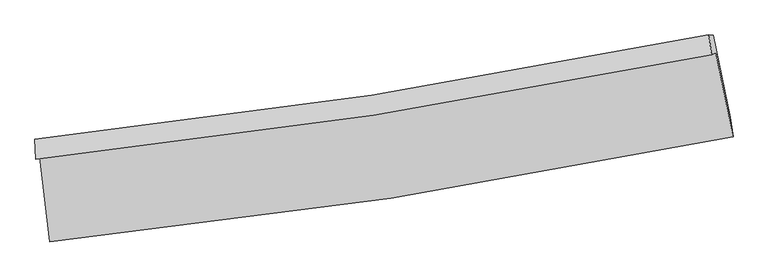
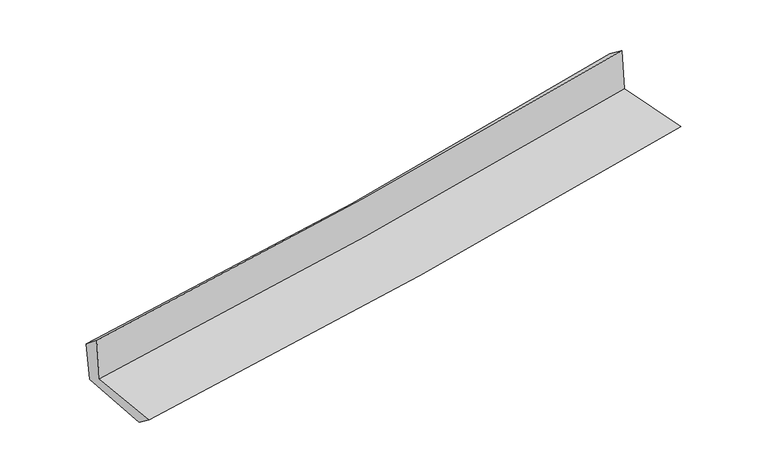
"""IFC4 building model written with IfcOpenShell, lengths in millimetres: proxy geometry."""

from ifc_helpers import new_model, si_unit, frame, origin, place, context, project, spatial, source, transform, mapped, element, save
from ifc_brep_helpers import plane_surface, spline_curve, spline_surface, advanced_brep


def generic_models_e0825369(model_context):
    return source(origin(), model_context, "Body", "AdvancedBrep", [
        advanced_brep(
        [(-2657.041005, -1886.3737152, 1660.9860748), (-2581.7802667, -2546.7547596, 1639.3557614), (2745.2784815, -1727.0272954, 2108.6712), (2610.297544, -1070.7236891, 2125.1125089), (-2690.0282355, -1902.9961061, 2053.6973753), (2577.5873361, -1087.2064872, 2514.5258703), (-2696.1434601, -1745.3090842, 1925.2012595), (2557.0616484, -933.1982642, 2397.9926604), (-2664.7081978, -1748.297026, 1574.5408821), (2591.0204027, -936.0162065, 2037.4784502), (-2588.2991489, -2395.3875666, 1523.323517), (2724.8819033, -1573.3778715, 1991.5316761)],
        [
            (0, 1),
            (1, 2, spline_curve(3, [(-2581.7802667, -2546.7547596, 1639.3557614), (-1693.213732136, -2454.349504424, 1728.578552724), (-807.217212845, -2340.286968962, 1812.132385009), (968.520992889, -2067.482314701, 1968.685471095), (1858.210723187, -1908.302361835, 2041.570118037), (2745.2784815, -1727.0272954, 2108.6712)], [4, 2, 4], [0.0, 8.784859594244185, 17.65807426606881])),
            (2, 3),
            (3, 0, spline_curve(3, [(2610.297544, -1070.7236891, 2125.1125089), (1733.595826742, -1249.153759785, 2059.002581579), (854.089794287, -1406.575136882, 1987.047787326), (-901.745291973, -1678.04217377, 1832.223154776), (-1778.018775871, -1792.504138719, 1749.4691379), (-2657.041005, -1886.3737152, 1660.9860748)], [4, 2, 4], [0.0, 8.873214671824623, 17.65807426606881])),
            (4, 0),
            (3, 5),
            (5, 4, spline_curve(3, [(2577.5873361, -1087.2064872, 2514.5258703), (1701.027043663, -1265.565293603, 2446.732288806), (821.568052833, -1422.962966256, 2374.217465163), (-934.361244718, -1694.477476257, 2220.514411336), (-1810.774111061, -1809.009676584, 2139.419736681), (-2690.0282355, -1902.9961061, 2053.6973753)], [4, 2, 4], [0.0, 8.823702253613817, 17.5595424497886])),
            (6, 4),
            (5, 7),
            (7, 6, spline_curve(3, [(2557.0616484, -933.1982642, 2397.9926604), (1684.08543598, -1110.696616419, 2316.271604397), (807.622437773, -1267.356572278, 2235.820977202), (-943.515025189, -1537.647248488, 2078.2490182), (-1818.120396778, -1651.690898995, 2001.102511709), (-2696.1434601, -1745.3090842, 1925.2012595)], [4, 2, 4], [0.0, 8.812242270868921, 17.536736597131863])),
            (8, 6),
            (7, 9),
            (9, 8, spline_curve(3, [(2591.0204027, -936.0162065, 2037.4784502), (1717.302734516, -1113.532326639, 1960.633695446), (840.258462793, -1270.215431277, 1883.438409876), (-911.71698999, -1540.562880217, 1729.118941355), (-1786.582252087, -1654.640048921, 1652.001703761), (-2664.7081978, -1748.297026, 1574.5408821)], [4, 2, 4], [0.0, 8.802284980334694, 17.51692116583158])),
            (10, 8),
            (9, 11),
            (11, 10, spline_curve(3, [(2724.8819033, -1573.3778715, 1991.5316761), (1841.543170078, -1756.253432994, 1913.49575818), (954.876699959, -1916.421722611, 1835.264249006), (-816.24959278, -2189.974990441, 1679.190987018), (-1700.643473267, -2303.809932285, 1601.353109727), (-2588.2991489, -2395.3875666, 1523.323517)], [4, 2, 4], [0.0, 8.852104877833877, 17.616064878962057])),
            (1, 10),
            (11, 2),
        ],
        [
            spline_surface(3, 3, [[(-2657.041005, -1886.3737152, 1660.9860748), (-1778.018775736, -1792.504138663, 1749.469137814), (-901.745291982, -1678.042173709, 1832.223154849), (854.089794296, -1406.575136943, 1987.047787252), (1733.595826814, -1249.153759898, 2059.00258162), (2610.297544, -1070.7236891, 2125.1125089)], [(-2631.95409222, -2106.500729971, 1653.775970332), (-1749.750427888, -2013.119260572, 1742.505609455), (-870.235932334, -1898.790438799, 1825.526231615), (892.233527188, -1626.877529486, 1980.927015167), (1775.134125582, -1468.869960595, 2053.191760475), (2655.291189807, -1289.491557879, 2119.632072628)], [(-2606.86717948, -2326.627744829, 1646.565865868), (-1721.482080082, -2233.734382568, 1735.542081099), (-838.726572631, -2119.538703946, 1818.82930836), (930.377260135, -1847.179922084, 1974.806243062), (1816.672424429, -1688.586161256, 2047.380939246), (2700.284835693, -1508.259426621, 2114.151636272)], [(-2581.7802667, -2546.7547596, 1639.3557614), (-1693.213732234, -2454.349504477, 1728.57855274), (-807.217212983, -2340.286969036, 1812.132385125), (968.520993028, -2067.482314627, 1968.685470977), (1858.210723197, -1908.302361953, 2041.570118101), (2745.2784815, -1727.0272954, 2108.6712)]], [4, 4], [4, 2, 4], [0.0, 2.1983585137955948], [0.0, 8.784859594244185, 17.65807426606881]),
            spline_surface(3, 3, [[(-2690.0282355, -1902.9961061, 2053.6973753), (-1810.774110954, -1809.009676649, 2139.419736776), (-934.361244642, -1694.47747631, 2220.514411349), (821.568052757, -1422.962966202, 2374.217465149), (1701.027043635, -1265.565293543, 2446.73228891), (2577.5873361, -1087.2064872, 2514.5258703)], [(-2679.032492002, -1897.45530915, 1922.793608473), (-1799.855665883, -1803.50783067, 2009.436203796), (-923.489260429, -1688.999042133, 2091.083992508), (832.408633263, -1417.500356473, 2245.160905843), (1711.883304718, -1260.094782312, 2317.489053136), (2588.490738757, -1081.712221151, 2384.721416489)], [(-2668.036748498, -1891.91451215, 1791.889841627), (-1788.937220806, -1798.005984642, 1879.452670795), (-912.617276195, -1683.520607885, 1961.65357369), (843.249213789, -1412.037746672, 2116.104346559), (1722.739565732, -1254.624271129, 2188.245817394), (2599.394141343, -1076.217955149, 2254.916962711)], [(-2657.041005, -1886.3737152, 1660.9860748), (-1778.018775736, -1792.504138663, 1749.469137814), (-901.745291982, -1678.042173709, 1832.223154849), (854.089794296, -1406.575136943, 1987.047787252), (1733.595826814, -1249.153759898, 2059.00258162), (2610.297544, -1070.7236891, 2125.1125089)]], [4, 4], [4, 2, 4], [0.0, 1.277678266518443], [0.0, 8.735840196174784, 17.5595424497886]),
            spline_surface(3, 3, [[(-2696.1434601, -1745.3090842, 1925.2012595), (-1818.120396668, -1651.690898982, 2001.102511633), (-943.515025285, -1537.647248366, 2078.249018215), (807.622437869, -1267.356572401, 2235.820977187), (1684.085435974, -1110.696616329, 2316.27160428), (2557.0616484, -933.1982642, 2397.9926604)], [(-2694.105051904, -1797.871424829, 1968.033298085), (-1815.671634767, -1704.130491533, 2047.208253332), (-940.463765072, -1589.923991004, 2125.670815932), (812.270976164, -1319.225370326, 2281.953139847), (1689.732638523, -1162.319508734, 2359.758499162), (2563.903544295, -984.534338534, 2436.837063705)], [(-2692.066643696, -1850.433765471, 2010.865336715), (-1813.222872855, -1756.570084097, 2093.313995077), (-937.412504855, -1642.200733671, 2173.092613632), (816.919514462, -1371.094168278, 2328.085302489), (1695.379841086, -1213.942401138, 2403.245394028), (2570.745440205, -1035.870412866, 2475.681466995)], [(-2690.0282355, -1902.9961061, 2053.6973753), (-1810.774110954, -1809.009676649, 2139.419736776), (-934.361244642, -1694.47747631, 2220.514411349), (821.568052757, -1422.962966202, 2374.217465149), (1701.027043635, -1265.565293543, 2446.73228891), (2577.5873361, -1087.2064872, 2514.5258703)]], [4, 4], [4, 2, 4], [0.0, 0.6899397284674527], [0.0, 8.724494326262942, 17.536736597131863]),
            spline_surface(3, 3, [[(-2664.7081978, -1748.297026, 1574.5408821), (-1786.582251982, -1654.640049032, 1652.001703869), (-911.716990111, -1540.562880295, 1729.118941231), (840.258462915, -1270.215431198, 1883.438410001), (1717.302734494, -1113.532326784, 1960.633695323), (2591.0204027, -936.0162065, 2037.4784502)], [(-2675.186618565, -1747.301045392, 1691.427674577), (-1797.094966876, -1653.656999007, 1768.368639801), (-922.31633514, -1539.591002983, 1845.495633542), (829.379787928, -1269.262478264, 2000.899265713), (1706.230301636, -1112.587089976, 2079.179664956), (2579.700817916, -935.07689241, 2157.649853581)], [(-2685.665039335, -1746.305064808, 1808.314467023), (-1807.607681774, -1652.673949007, 1884.735575702), (-932.915680255, -1538.619125678, 1961.872325903), (818.501112855, -1268.309525336, 2118.360121475), (1695.157868831, -1111.641853137, 2197.725634646), (2568.381233184, -934.13757829, 2277.821257019)], [(-2696.1434601, -1745.3090842, 1925.2012595), (-1818.120396668, -1651.690898982, 2001.102511633), (-943.515025285, -1537.647248366, 2078.249018215), (807.622437869, -1267.356572401, 2235.820977187), (1684.085435974, -1110.696616329, 2316.27160428), (2557.0616484, -933.1982642, 2397.9926604)]], [4, 4], [4, 2, 4], [0.0, 1.155713010357037], [0.0, 8.714636185496886, 17.51692116583158]),
            spline_surface(3, 3, [[(-2588.2991489, -2395.3875666, 1523.323517), (-1700.643473322, -2303.80993221, 1601.353109599), (-816.24959275, -2189.974990345, 1679.190986936), (954.876699929, -1916.421722708, 1835.264249089), (1841.543170123, -1756.253432871, 1913.495758158), (2724.8819033, -1573.3778715, 1991.5316761)], [(-2613.768831889, -2179.690719732, 1540.395972019), (-1729.289732898, -2087.41997115, 1618.235974342), (-848.07205856, -1973.504286996, 1695.833638375), (916.670620901, -1701.019625539, 1851.322302734), (1800.129691598, -1542.013064165, 1929.208403894), (2680.261403118, -1360.923983156, 2006.847267481)], [(-2639.238514811, -1963.993872868, 1557.468427081), (-1757.935992406, -1871.030010093, 1635.118839127), (-879.894524301, -1757.033583644, 1712.476289792), (878.464541943, -1485.617528367, 1867.380356357), (1758.716213019, -1327.772695491, 1944.921049587), (2635.640902882, -1148.470094844, 2022.162858819)], [(-2664.7081978, -1748.297026, 1574.5408821), (-1786.582251982, -1654.640049032, 1652.001703869), (-911.716990111, -1540.562880295, 1729.118941231), (840.258462915, -1270.215431198, 1883.438410001), (1717.302734494, -1113.532326784, 1960.633695323), (2591.0204027, -936.0162065, 2037.4784502)]], [4, 4], [4, 2, 4], [0.0, 2.159119403199704], [0.0, 8.76396000112818, 17.616064878962057]),
            spline_surface(3, 3, [[(-2581.7802667, -2546.7547596, 1639.3557614), (-1693.213732234, -2454.349504477, 1728.57855274), (-807.217212983, -2340.286969036, 1812.132385125), (968.520993028, -2067.482314627, 1968.685470977), (1858.210723197, -1908.302361953, 2041.570118101), (2745.2784815, -1727.0272954, 2108.6712)], [(-2583.95322742, -2496.299028627, 1600.678346614), (-1695.690312583, -2404.169647081, 1686.170071706), (-810.228006219, -2290.182976145, 1767.818585733), (963.972895349, -2017.128783993, 1924.211730352), (1852.65487218, -1857.619385596, 1998.878664769), (2738.479622108, -1675.810820771, 2069.624692015)], [(-2586.12618818, -2445.843297573, 1562.000931786), (-1698.166892973, -2353.989789606, 1643.761590632), (-813.238799515, -2240.078983236, 1723.504786329), (959.424797609, -1966.775253342, 1879.737989714), (1847.09902114, -1806.936409228, 1956.187211491), (2731.680762692, -1624.594346129, 2030.578184085)], [(-2588.2991489, -2395.3875666, 1523.323517), (-1700.643473322, -2303.80993221, 1601.353109599), (-816.24959275, -2189.974990345, 1679.190986936), (954.876699929, -1916.421722708, 1835.264249089), (1841.543170123, -1756.253432871, 1913.495758158), (2724.8819033, -1573.3778715, 1991.5316761)]], [4, 4], [4, 2, 4], [0.0, 0.6608622459317951], [0.0, 8.822846366970191, 17.734429869334633]),
            plane_surface(frame((2634.3545527, -1221.2583023, 2195.8853943), z_axis=(0.975934244216971, 0.19845479725467596, 0.09037723392124465), x_axis=(-0.09377736289068267, 0.007781769380098382, 0.9955627806796437))),
            plane_surface(frame((-2646.3333857, -2037.5197096, 1729.5174784), z_axis=(-0.9900495090066448, -0.10995522877876497, -0.08781695382960525), x_axis=(-0.11317274092074353, 0.9930427801321362, 0.03252641295814976))),
        ],
        [
            (0, [[1, 2, 3, 4]]),
            (1, [[5, -4, 6, 7]]),
            (2, [[8, -7, 9, 10]]),
            (3, [[11, -10, 12, 13]]),
            (4, [[14, -13, 15, 16]]),
            (5, [[17, -16, 18, -2]]),
            (6, [[-12, -9, -6, -3, -18, -15]]),
            (7, [[-1, -5, -8, -11, -14, -17]]),
        ],
    ),
    ])


if __name__ == "__main__":
    model = new_model("IFC4")
    model_context = context("Model", 3, world=origin())
    ifc_project = project(units=[si_unit("LENGTHUNIT", "METRE", prefix="MILLI")], contexts=[model_context])
    site = spatial("IfcSite", under=ifc_project)
    building = spatial("IfcBuilding", under=site)
    placement = place(None, origin())
    generic_models_shape = generic_models_e0825369(model_context)
    element("IfcBuildingElementProxy", 1, Name="Generic Models", at=placement, inside=building, context=model_context, shape_type="MappedRepresentation", body=[
        mapped(generic_models_shape, transform((0.0, 0.0, 0.0), x_axis=(1.0, 0.0, 0.0), y_axis=(0.0, 1.0, 0.0), z_axis=(0.0, 0.0, 1.0))),
    ])
    save(model, "model.ifc")
